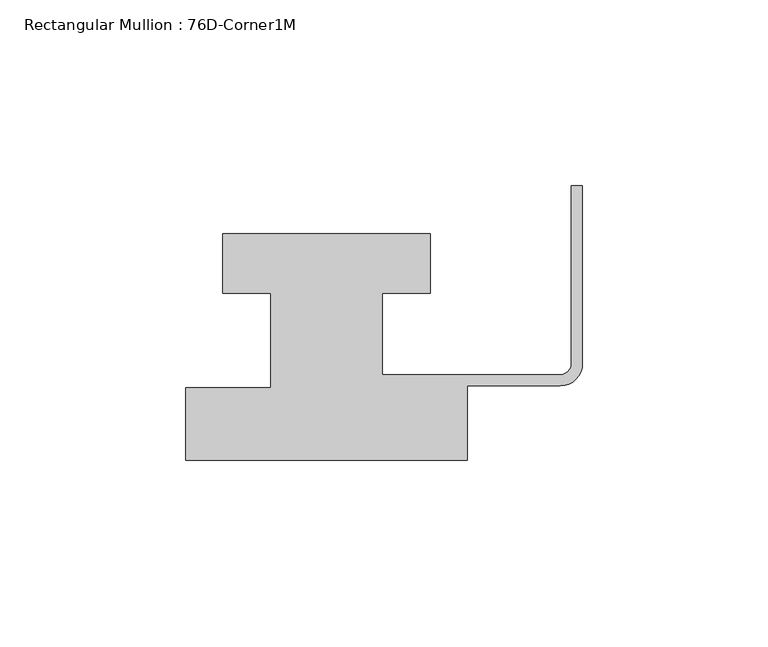
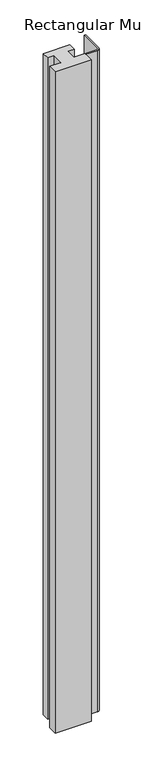
"""IFC4 building model written with IfcOpenShell, lengths in millimetres: member geometry, Rectangular Mullion : 76D-Corner1M."""

from ifc_helpers import new_model, si_unit, point, frame, frame_2d, origin, place, context, project, spatial, polyline, circle_curve, trimmed, segment, composite_curve, outline, extrude, source, transform, mapped, element, save


def rectangular_mullion_76d_corner1m_8bfcecbe(model_context):
    return source(origin(), model_context, "Body", "SweptSolid", [
        extrude(outline(composite_curve([segment(polyline([(-97.0, 25.0), (-97.0, 41.0), (-41.0, 41.0), (-41.0, 25.0), (-54.0, 25.0), (-54.0, 3.0), (-6.0, 3.0)]), True, "CONTINUOUS"), segment(trimmed(circle_curve(frame_2d((-6.0, 6.0)), 3.0), [point((-6.0, 3.0))], [point((-3.0, 6.0))], True, "CARTESIAN"), True, "CONTINUOUS"), segment(polyline([(-3.0, 6.0), (-3.0, 54.0), (0.0, 54.0), (0.0, 6.0)]), True, "CONTINUOUS"), segment(trimmed(circle_curve(frame_2d((-6.0, 6.0)), 6.0), [point((0.0, 6.0))], [point((-6.0, 0.0))], False, "CARTESIAN"), True, "CONTINUOUS"), segment(polyline([(-6.0, 0.0), (-31.0, 0.0), (-31.0, -20.0), (-107.0, -20.0), (-107.0, -0.5), (-84.0, -0.5), (-84.0, 25.0), (-97.0, 25.0)]), True, "CONTINUOUS")], self_intersect=False)), frame((0.0, 0.0, -1477.534293), z_axis=(0.0, 0.0, 1.0), x_axis=(1.0, 0.0, 0.0)), (0.0, 0.0, 1.0), 1477.534293),
    ])


if __name__ == "__main__":
    model = new_model("IFC4")
    model_context = context("Model", 3, world=origin())
    ifc_project = project(units=[si_unit("LENGTHUNIT", "METRE", prefix="MILLI")], contexts=[model_context])
    site = spatial("IfcSite", under=ifc_project)
    building = spatial("IfcBuilding", under=site)
    placement = place(None, origin())
    rectangular_mullion_76d_corner1m_shape = rectangular_mullion_76d_corner1m_8bfcecbe(model_context)
    element("IfcMember", 1, ObjectType="Rectangular Mullion : 76D-Corner1M", at=placement, inside=building, context=model_context, shape_type="MappedRepresentation", body=[
        mapped(rectangular_mullion_76d_corner1m_shape, transform((0.0, 0.0, 0.0), x_axis=(1.0, 0.0, 0.0), y_axis=(0.0, 1.0, 0.0), z_axis=(0.0, 0.0, 1.0))),
    ])
    save(model, "model.ifc")
